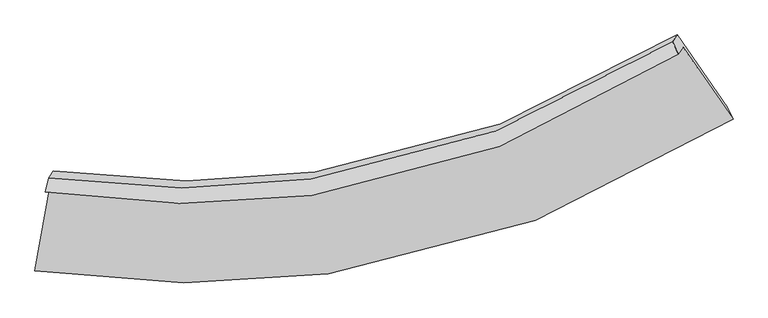
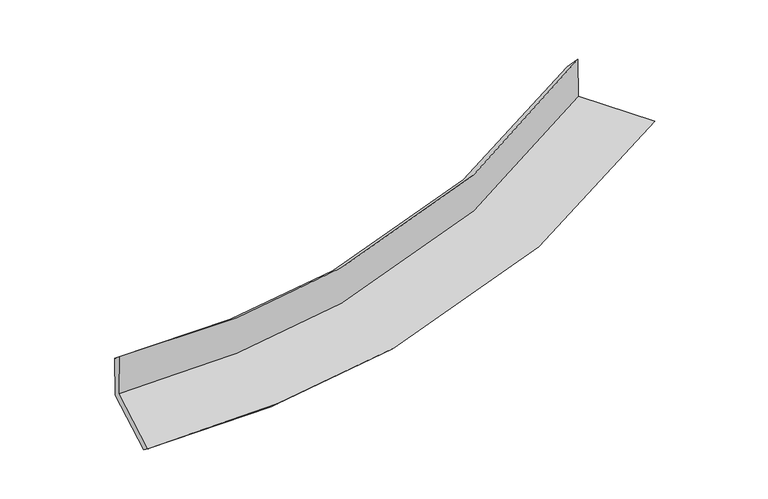
"""IFC4 building model written with IfcOpenShell, lengths in millimetres: proxy geometry."""

from ifc_helpers import new_model, si_unit, frame, origin, place, context, project, spatial, source, transform, mapped, element, save
from ifc_brep_helpers import plane_surface, spline_curve, spline_surface, advanced_brep


def generic_models_4af68715(model_context):
    return source(origin(), model_context, "Body", "AdvancedBrep", [
        advanced_brep(
        [(-2322.8719568, -1824.2107128, 1657.6838368), (-2438.2924148, -2479.5670039, 1559.8802851), (2899.0028584, -1320.8506702, 2177.8193568), (2516.298256, -768.4699412, 2218.6339574), (-2357.6859456, -1877.9960539, 2059.1703625), (2480.9349397, -823.1039574, 2626.4555106), (-2332.0787372, -1769.014702, 1971.7921816), (2436.6058769, -727.4652633, 2510.1475276), (-2297.0498472, -1714.8973526, 1567.827344), (2470.818817, -674.6085032, 2115.5924954), (-2412.0396318, -2367.8082844, 1470.3887309), (2853.5684747, -1227.0542631, 2074.7730897)],
        [
            (0, 1),
            (1, 2, spline_curve(3, [(-2438.2924148, -2479.5670039, 1559.8802851), (-1670.11026754, -2598.215832268, 1617.135574439), (-922.780215588, -2606.460287812, 1684.734595168), (881.350220181, -2352.757042213, 1878.29709706), (1913.118592682, -1958.273808386, 2016.677766845), (2899.0028584, -1320.8506702, 2177.8193568)], [4, 2, 4], [0.0, 7.048008077679331, 17.50297551484782])),
            (2, 3),
            (3, 0, spline_curve(3, [(2516.298256, -768.4699412, 2218.6339574), (1623.573253293, -1352.163159561, 2072.768415895), (688.561003951, -1712.76357034, 1947.316861828), (-947.565483061, -1942.96918508, 1771.470311073), (-1625.609971465, -1934.282365072, 1709.938491579), (-2322.8719568, -1824.2107128, 1657.6838368)], [4, 2, 4], [0.0, 10.454967437168488, 17.50297551484782])),
            (4, 0),
            (3, 5),
            (5, 4, spline_curve(3, [(2480.9349397, -823.1039574, 2626.4555106), (1589.474789011, -1404.843061822, 2466.003272704), (655.03719676, -1764.555664812, 2333.924582268), (-981.282715909, -1995.060110145, 2160.308682884), (-1659.718752087, -1986.978205858, 2103.292323838), (-2357.6859456, -1877.9960539, 2059.1703625)], [4, 2, 4], [0.0, 9.944119736831706, 16.6477500113208])),
            (6, 4),
            (5, 7),
            (7, 6, spline_curve(3, [(2436.6058769, -727.4652633, 2510.1475276), (1556.717976759, -1288.48213016, 2351.869351841), (635.257930576, -1638.263534439, 2224.106793622), (-976.983234972, -1870.207463404, 2061.302764908), (-1645.084726642, -1867.609205484, 2009.613541205), (-2332.0787372, -1769.014702, 1971.7921816)], [4, 2, 4], [0.0, 9.86497024614028, 16.515243467813104])),
            (8, 6),
            (7, 9),
            (9, 8, spline_curve(3, [(2470.818817, -674.6085032, 2115.5924954), (1590.255398186, -1236.669002152, 1965.104626772), (668.620380477, -1586.720726114, 1839.359898054), (-943.075728832, -1817.822579072, 1670.270100616), (-1610.730265874, -1814.533804944, 1613.426445215), (-2297.0498472, -1714.8973526, 1567.827344)], [4, 2, 4], [0.0, 9.785845334592725, 16.382778072989606])),
            (10, 8),
            (9, 11),
            (11, 10, spline_curve(3, [(2853.5684747, -1227.0542631, 2074.7730897), (1880.925734345, -1852.243142937, 1907.843747989), (863.015321246, -2239.663646337, 1768.744590808), (-916.883098029, -2490.200775072, 1582.465857175), (-1654.175386846, -2483.031611931, 1520.103561185), (-2412.0396318, -2367.8082844, 1470.3887309)], [4, 2, 4], [0.0, 10.345074386626056, 17.31900025290123])),
            (1, 10),
            (11, 2),
        ],
        [
            spline_surface(3, 3, [[(-2322.8719568, -1824.2107128, 1657.6838368), (-1625.609971356, -1934.28236506, 1709.938491673), (-947.565483042, -1942.969185196, 1771.47031107), (688.561003922, -1712.763570168, 1947.316861832), (1623.573253206, -1352.163159487, 2072.768415968), (2516.298256, -768.4699412, 2218.6339574)], [(-2361.345442776, -2042.662809822, 1625.082652892), (-1640.443403427, -2155.593520754, 1679.004185935), (-939.303727267, -2164.132886065, 1742.558405754), (752.824076059, -1926.094727469, 1924.310273569), (1720.088366423, -1554.200042494, 2054.071532964), (2643.866456802, -952.596850866, 2205.029090533)], [(-2399.818928824, -2261.114906878, 1592.481469008), (-1655.276835571, -2376.904676482, 1648.069880221), (-931.041971476, -2385.296586998, 1713.646500473), (817.087148213, -2139.425884833, 1901.303685341), (1816.603479633, -1756.236925503, 2035.37464996), (2771.434657598, -1136.723760534, 2191.424223667)], [(-2438.2924148, -2479.5670039, 1559.8802851), (-1670.110267642, -2598.215832176, 1617.135574483), (-922.780215702, -2606.460287866, 1684.734595157), (881.35022035, -2352.757042133, 1878.297097078), (1913.118592851, -1958.273808511, 2016.677766956), (2899.0028584, -1320.8506702, 2177.8193568)]], [4, 4], [4, 2, 4], [0.0, 2.181780091973002], [0.0, 7.048008077679331, 17.50297551484782]),
            spline_surface(3, 3, [[(-2357.6859456, -1877.9960539, 2059.1703625), (-1659.718752181, -1986.978205852, 2103.292323884), (-981.282715969, -1995.060110152, 2160.308682907), (655.037196849, -1764.555664801, 2333.924582234), (1589.474789045, -1404.843061661, 2466.003272588), (2480.9349397, -823.1039574, 2626.4555106)], [(-2346.081282675, -1860.067606867, 1925.3415206), (-1648.349158581, -1969.412925588, 1972.174379814), (-970.043638319, -1977.696468516, 2030.695892291), (666.211799214, -1747.291633273, 2205.055342096), (1600.840943746, -1387.283094273, 2334.924987053), (2492.72271178, -804.89261867, 2490.514992872)], [(-2334.476619725, -1842.139159833, 1791.5126787), (-1636.979564956, -1951.847645323, 1841.056435743), (-958.804560691, -1960.332826832, 1901.083101686), (677.386401557, -1730.027601697, 2076.18610197), (1612.207098505, -1369.723126875, 2203.846701503), (2504.51048392, -786.68127993, 2354.574475128)], [(-2322.8719568, -1824.2107128, 1657.6838368), (-1625.609971356, -1934.28236506, 1709.938491673), (-947.565483042, -1942.969185196, 1771.47031107), (688.561003922, -1712.763570168, 1947.316861832), (1623.573253206, -1352.163159487, 2072.768415968), (2516.298256, -768.4699412, 2218.6339574)]], [4, 4], [4, 2, 4], [0.0, 1.288815993667895], [0.0, 6.703630274489093, 16.6477500113208]),
            spline_surface(3, 3, [[(-2332.0787372, -1769.014702, 1971.7921816), (-1645.084726654, -1867.609205409, 2009.613541151), (-976.983234922, -1870.207463465, 2061.302764967), (635.257930502, -1638.263534348, 2224.106793534), (1556.717976821, -1288.482130055, 2351.869351712), (2436.6058769, -727.4652633, 2510.1475276)], [(-2340.614473348, -1805.341819306, 2000.91824192), (-1649.962735178, -1907.39887223, 2040.839802082), (-978.416395293, -1911.825012362, 2094.304737614), (641.851019263, -1680.360911166, 2260.712723101), (1567.636914235, -1327.269107265, 2389.913992016), (2451.382231173, -759.344828008, 2548.916855279)], [(-2349.150209452, -1841.668936594, 2030.04430218), (-1654.840743657, -1947.188539031, 2072.066062953), (-979.849555598, -1953.442561256, 2127.30671026), (648.444108088, -1722.458287983, 2297.318652667), (1578.555851631, -1366.056084451, 2427.958632284), (2466.158585427, -791.224392692, 2587.686182921)], [(-2357.6859456, -1877.9960539, 2059.1703625), (-1659.718752181, -1986.978205852, 2103.292323884), (-981.282715969, -1995.060110152, 2160.308682907), (655.037196849, -1764.555664801, 2333.924582234), (1589.474789045, -1404.843061661, 2466.003272588), (2480.9349397, -823.1039574, 2626.4555106)]], [4, 4], [4, 2, 4], [0.0, 0.5399386414694749], [0.0, 6.650273221672824, 16.515243467813104]),
            spline_surface(3, 3, [[(-2297.0498472, -1714.8973526, 1567.827344), (-1610.7302658, -1814.533805034, 1613.426445321), (-943.075728826, -1817.822579074, 1670.270100563), (668.620380469, -1586.720726112, 1839.359898133), (1590.255398192, -1236.669002315, 1965.104626716), (2470.818817, -674.6085032, 2115.5924954)], [(-2308.726143847, -1732.936469059, 1702.482289862), (-1622.181752732, -1832.225605151, 1745.488810593), (-954.378230834, -1835.284207205, 1800.614322023), (657.499563838, -1603.901662191, 1967.608863259), (1579.076257728, -1253.94004491, 2094.026201726), (2459.414503626, -692.227423249, 2247.110839478)], [(-2320.402440553, -1750.975585541, 1837.137235738), (-1633.633239723, -1849.917405292, 1877.551175878), (-965.680732915, -1852.745835334, 1930.958543507), (646.378747134, -1621.082598268, 2095.857828408), (1567.897117285, -1271.21108746, 2222.947776702), (2448.010190274, -709.846343251, 2378.629183522)], [(-2332.0787372, -1769.014702, 1971.7921816), (-1645.084726654, -1867.609205409, 2009.613541151), (-976.983234922, -1870.207463465, 2061.302764967), (635.257930502, -1638.263534348, 2224.106793534), (1556.717976821, -1288.482130055, 2351.869351712), (2436.6058769, -727.4652633, 2510.1475276)]], [4, 4], [4, 2, 4], [0.0, 1.286168800760845], [0.0, 6.59693273839688, 16.382778072989606]),
            spline_surface(3, 3, [[(-2412.0396318, -2367.8082844, 1470.3887309), (-1654.175386858, -2483.031611871, 1520.103561186), (-916.883097997, -2490.200775029, 1582.465857136), (863.015321199, -2239.663646401, 1768.744590867), (1880.925734512, -1852.243142786, 1907.84374784), (2853.5684747, -1227.0542631, 2074.7730897)], [(-2373.709703608, -2150.171307143, 1502.868268599), (-1639.693679847, -2260.199009602, 1551.21118923), (-925.613974955, -2266.074709713, 1611.733938297), (798.217007608, -2022.016006307, 1792.283026641), (1784.035622419, -1647.051762606, 1926.930707446), (2725.985255481, -1042.905676444, 2088.379558248)], [(-2335.379775392, -1932.534329857, 1535.347806301), (-1625.211972812, -2037.366407303, 1582.318817277), (-934.344851869, -2041.94864439, 1641.002019401), (733.41869406, -1804.368366206, 1815.821462358), (1687.145510285, -1441.860382495, 1946.01766711), (2598.402036219, -858.757089856, 2101.986026852)], [(-2297.0498472, -1714.8973526, 1567.827344), (-1610.7302658, -1814.533805034, 1613.426445321), (-943.075728826, -1817.822579074, 1670.270100563), (668.620380469, -1586.720726112, 1839.359898133), (1590.255398192, -1236.669002315, 1965.104626716), (2470.818817, -674.6085032, 2115.5924954)]], [4, 4], [4, 2, 4], [0.0, 2.2191231036632635], [0.0, 6.973925866275175, 17.31900025290123]),
            spline_surface(3, 3, [[(-2438.2924148, -2479.5670039, 1559.8802851), (-1670.110267642, -2598.215832176, 1617.135574483), (-922.780215702, -2606.460287866, 1684.734595157), (881.35022035, -2352.757042133, 1878.297097078), (1913.118592851, -1958.273808511, 2016.677766956), (2899.0028584, -1320.8506702, 2177.8193568)], [(-2429.541487146, -2442.314097402, 1530.049767026), (-1664.798640727, -2559.821092077, 1584.791570044), (-920.81450979, -2567.707116922, 1650.645015821), (875.238587309, -2315.059243557, 1841.779595012), (1902.387640075, -1922.930253267, 1980.399760575), (2883.858063838, -1289.585201164, 2143.470601091)], [(-2420.790559454, -2405.061190898, 1500.219248974), (-1659.487013773, -2521.42635197, 1552.447565626), (-918.848803909, -2528.953945973, 1616.555436471), (869.126954239, -2277.361444977, 1805.262092932), (1891.656687287, -1887.58669803, 1944.121754221), (2868.713269262, -1258.319732136, 2109.121845409)], [(-2412.0396318, -2367.8082844, 1470.3887309), (-1654.175386858, -2483.031611871, 1520.103561186), (-916.883097997, -2490.200775029, 1582.465857136), (863.015321199, -2239.663646401, 1768.744590867), (1880.925734512, -1852.243142786, 1907.84374784), (2853.5684747, -1227.0542631, 2074.7730897)]], [4, 4], [4, 2, 4], [0.0, 0.5131902476764157], [0.0, 7.339608701064318, 18.227134527574478]),
            plane_surface(frame((2609.5382038, -923.5920998, 2287.2369896), z_axis=(0.818248565451213, 0.5561574589831667, 0.14545846814269547), x_axis=(-0.08562926366325406, -0.1322916251816517, 0.9875052177640817))),
            plane_surface(frame((-2360.0030889, -2005.5823516, 1714.4571235), z_axis=(-0.9814372877025588, 0.1819130275567768, -0.06073302818213745), x_axis=(0.17160559289116034, 0.9743749669977813, 0.14541301240448268))),
        ],
        [
            (0, [[1, 2, 3, 4]]),
            (1, [[5, -4, 6, 7]]),
            (2, [[8, -7, 9, 10]]),
            (3, [[11, -10, 12, 13]]),
            (4, [[14, -13, 15, 16]]),
            (5, [[17, -16, 18, -2]]),
            (6, [[-12, -9, -6, -3, -18, -15]]),
            (7, [[-1, -5, -8, -11, -14, -17]]),
        ],
    ),
    ])


if __name__ == "__main__":
    model = new_model("IFC4")
    model_context = context("Model", 3, world=origin())
    ifc_project = project(units=[si_unit("LENGTHUNIT", "METRE", prefix="MILLI")], contexts=[model_context])
    site = spatial("IfcSite", under=ifc_project)
    building = spatial("IfcBuilding", under=site)
    placement = place(None, origin())
    generic_models_shape = generic_models_4af68715(model_context)
    element("IfcBuildingElementProxy", 1, Name="Generic Models", at=placement, inside=building, context=model_context, shape_type="MappedRepresentation", body=[
        mapped(generic_models_shape, transform((0.0, 0.0, 0.0), x_axis=(1.0, 0.0, 0.0), y_axis=(0.0, 1.0, 0.0), z_axis=(0.0, 0.0, 1.0))),
    ])
    save(model, "model.ifc")
